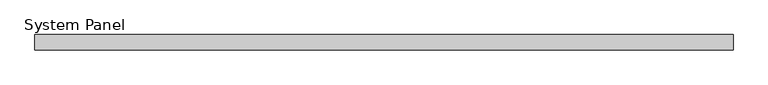
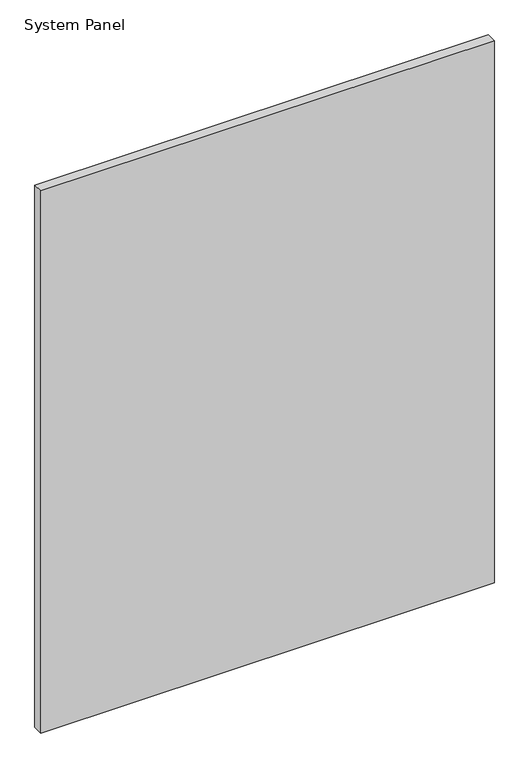
"""IFC4 building model written with IfcOpenShell, lengths in millimetres: plate geometry, System Panel."""

from ifc_helpers import new_model, si_unit, origin, origin_with_axes, place, context, project, spatial, polyline, outline, extrude, source, transform, mapped, element, save


def system_panel_f223fdea(model_context):
    return source(origin(), model_context, "Body", "SweptSolid", [
        extrude(outline(polyline([(572.5583333, 19.05), (-572.5583333, 19.05), (-572.5583333, 44.45), (572.5583333, 44.45), (572.5583333, 19.05)])), origin_with_axes(), (0.0, 0.0, 1.0), 1446.2125),
    ])


if __name__ == "__main__":
    model = new_model("IFC4")
    model_context = context("Model", 3, world=origin())
    ifc_project = project(units=[si_unit("LENGTHUNIT", "METRE", prefix="MILLI")], contexts=[model_context])
    site = spatial("IfcSite", under=ifc_project)
    building = spatial("IfcBuilding", under=site)
    placement = place(None, origin())
    system_panel_shape = system_panel_f223fdea(model_context)
    element("IfcPlate", 1, ObjectType="System Panel", at=placement, inside=building, context=model_context, shape_type="MappedRepresentation", body=[
        mapped(system_panel_shape, transform((0.0, 0.0, 0.0), x_axis=(1.0, 0.0, 0.0), y_axis=(0.0, 1.0, 0.0), z_axis=(0.0, 0.0, 1.0))),
    ])
    save(model, "model.ifc")
